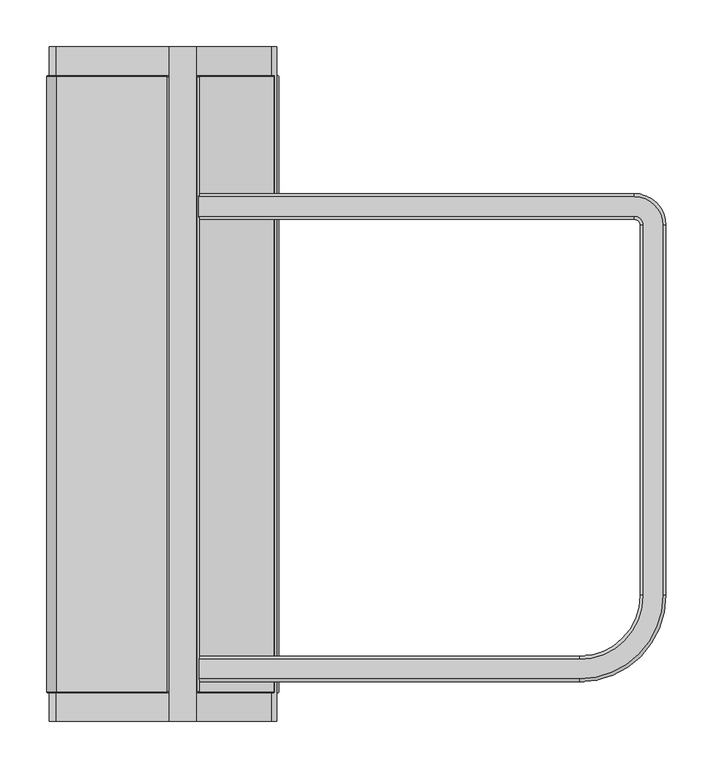
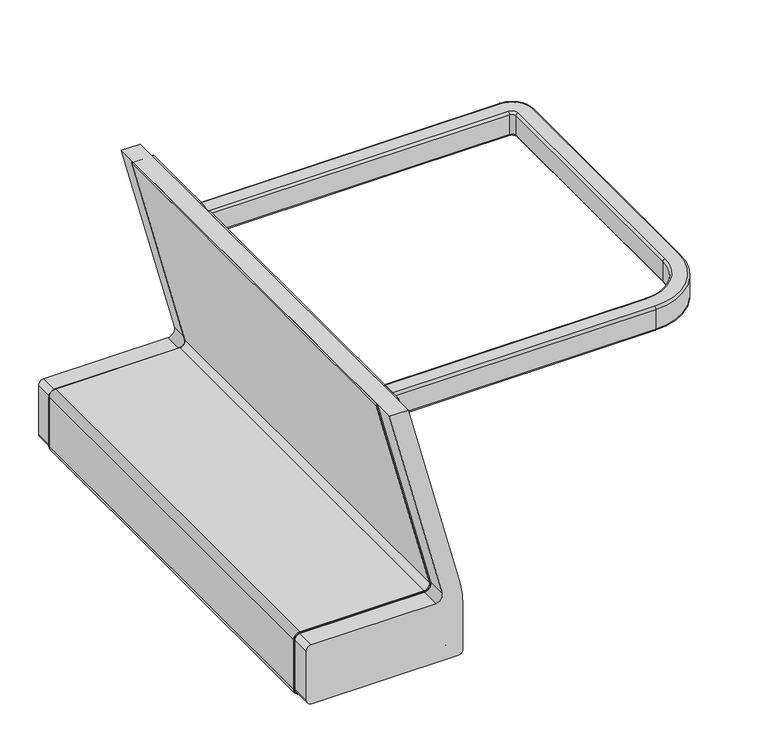
"""IFC4 building model written with IfcOpenShell, lengths in millimetres: furniture geometry."""

from ifc_helpers import new_model, si_unit, point, frame, frame_2d, origin, place, context, project, spatial, polyline, circle_curve, ellipse_curve, trimmed, segment, composite_curve, outline, extrude, source, transform, mapped, element, save
from ifc_brep_helpers import plane_surface, cylinder_surface, revolved_surface, advanced_brep


def furniture_746f1d6a(model_context):
    return source(origin(), model_context, "Body", "SolidModel", [
        advanced_brep(
        [(162.3124361, -661.8180685, 672.1919643), (162.3124361, -682.4252156, 672.1919643), (162.3124361, -685.8034156, 675.5701643), (162.3124361, -685.8034156, 707.7077566), (162.3124361, -682.4252156, 711.0859566), (162.3124361, -661.8180685, 711.0859566), (162.3124361, -658.4398685, 707.7077566), (162.3124361, -658.4398685, 675.5701643), (567.8477595, -661.8180685, 672.1919643), (636.164547, -593.501281, 672.1919643), (636.164547, -198.8829508, 672.1919643), (626.3678941, -189.0862979, 672.1919643), (161.6749244, -189.0862979, 672.1919643), (161.6749244, -168.4791508, 672.1919643), (626.3678941, -168.4791508, 672.1919643), (656.7716941, -198.8829508, 672.1919643), (656.7716941, -593.501281, 672.1919643), (567.8477595, -682.4252156, 672.1919643), (567.8477595, -685.8034156, 675.5701643), (567.8477595, -685.8034156, 707.7077566), (567.8477595, -682.4252156, 711.0859566), (656.7716941, -593.501281, 711.0859566), (656.7716941, -198.8829508, 711.0859566), (626.3678941, -168.4791508, 711.0859566), (161.6749244, -168.4791508, 711.0859566), (161.6749244, -189.0862979, 711.0859566), (626.3678941, -189.0862979, 711.0859566), (636.164547, -198.8829508, 711.0859566), (636.164547, -593.501281, 711.0859566), (567.8477595, -661.8180685, 711.0859566), (567.8477595, -658.4398685, 707.7077566), (567.8477595, -658.4398685, 675.5701643), (660.1498941, -593.501281, 675.5701643), (660.1498941, -593.501281, 707.7077566), (632.786347, -593.501281, 707.7077566), (632.786347, -593.501281, 675.5701643), (660.1498941, -198.8829508, 675.5701643), (660.1498941, -198.8829508, 707.7077566), (632.786347, -198.8829508, 707.7077566), (632.786347, -198.8829508, 675.5701643), (626.3678941, -165.1009508, 675.5701643), (626.3678941, -165.1009508, 707.7077566), (626.3678941, -192.4644979, 707.7077566), (626.3678941, -192.4644979, 675.5701643), (161.6749244, -192.4644979, 675.5701643), (161.6749244, -192.4644979, 707.7077566), (161.6749244, -165.1009508, 707.7077566), (161.6749244, -165.1009508, 675.5701643)],
        [
            (0, 1),
            (1, 2, circle_curve(frame((162.3124361, -682.4252156, 675.5701643), z_axis=(-1.0, 0.0, 0.0), x_axis=(0.0, -1.0, 0.0)), 3.3782)),
            (2, 3),
            (3, 4, circle_curve(frame((162.3124361, -682.4252156, 707.7077566), z_axis=(-1.0, 0.0, 0.0), x_axis=(0.0, -1.0, 0.0)), 3.3782)),
            (4, 5),
            (5, 6, circle_curve(frame((162.3124361, -661.8180685, 707.7077566), z_axis=(-1.0, 0.0, 0.0), x_axis=(0.0, -1.0, 0.0)), 3.3782)),
            (6, 7),
            (7, 0, circle_curve(frame((162.3124361, -661.8180685, 675.5701643), z_axis=(-1.0, 0.0, 0.0), x_axis=(0.0, -1.0, 0.0)), 3.3782)),
            (0, 8),
            (8, 9, circle_curve(frame((567.8477595, -593.501281, 672.1919643), z_axis=(0.0, 0.0, 1.0), x_axis=(0.0, -1.0, 0.0)), 68.3167875)),
            (9, 10),
            (10, 11, circle_curve(frame((626.3678941, -198.8829508, 672.1919643), z_axis=(0.0, 0.0, 1.0), x_axis=(1.0, 0.0, 0.0)), 9.7966529)),
            (11, 12),
            (12, 13),
            (13, 14),
            (14, 15, circle_curve(frame((626.3678941, -198.8829508, 672.1919643), z_axis=(0.0, 0.0, -1.0), x_axis=(1.0, 0.0, 0.0)), 30.4038)),
            (15, 16),
            (16, 17, circle_curve(frame((567.8477595, -593.501281, 672.1919643), z_axis=(0.0, 0.0, -1.0), x_axis=(0.0, -1.0, 0.0)), 88.9239346)),
            (17, 1),
            (17, 18, circle_curve(frame((567.8477595, -682.4252156, 675.5701643), z_axis=(-1.0, 0.0, 0.0), x_axis=(0.0, -1.0, 0.0)), 3.3782)),
            (18, 2),
            (18, 19),
            (19, 3),
            (19, 20, circle_curve(frame((567.8477595, -682.4252156, 707.7077566), z_axis=(-1.0, 0.0, 0.0), x_axis=(0.0, -1.0, 0.0)), 3.3782)),
            (20, 4),
            (20, 21, circle_curve(frame((567.8477595, -593.501281, 711.0859566), z_axis=(0.0, 0.0, 1.0), x_axis=(0.0, -1.0, 0.0)), 88.9239346)),
            (21, 22),
            (22, 23, circle_curve(frame((626.3678941, -198.8829508, 711.0859566), z_axis=(0.0, 0.0, 1.0), x_axis=(1.0, 0.0, 0.0)), 30.4038)),
            (23, 24),
            (24, 25),
            (25, 26),
            (26, 27, circle_curve(frame((626.3678941, -198.8829508, 711.0859566), z_axis=(0.0, 0.0, -1.0), x_axis=(1.0, 0.0, 0.0)), 9.7966529)),
            (27, 28),
            (28, 29, circle_curve(frame((567.8477595, -593.501281, 711.0859566), z_axis=(0.0, 0.0, -1.0), x_axis=(0.0, -1.0, 0.0)), 68.3167875)),
            (29, 5),
            (29, 30, circle_curve(frame((567.8477595, -661.8180685, 707.7077566), z_axis=(-1.0, 0.0, 0.0), x_axis=(0.0, -1.0, 0.0)), 3.3782)),
            (30, 6),
            (30, 31),
            (31, 7),
            (31, 8, circle_curve(frame((567.8477595, -661.8180685, 675.5701643), z_axis=(-1.0, 0.0, 0.0), x_axis=(0.0, -1.0, 0.0)), 3.3782)),
            (32, 18, circle_curve(frame((567.8477595, -593.501281, 675.5701643), z_axis=(0.0, 0.0, -1.0), x_axis=(0.0, -1.0, 0.0)), 92.3021346)),
            (16, 32, circle_curve(frame((656.7716941, -593.501281, 675.5701643), z_axis=(0.0, -1.0, 0.0), x_axis=(1.0, 0.0, 0.0)), 3.3782)),
            (33, 19, circle_curve(frame((567.8477595, -593.501281, 707.7077566), z_axis=(0.0, 0.0, -1.0), x_axis=(0.0, -1.0, 0.0)), 92.3021346)),
            (32, 33),
            (33, 21, circle_curve(frame((656.7716941, -593.501281, 707.7077566), z_axis=(0.0, -1.0, 0.0), x_axis=(1.0, 0.0, 0.0)), 3.3782)),
            (34, 30, circle_curve(frame((567.8477595, -593.501281, 707.7077566), z_axis=(0.0, 0.0, -1.0), x_axis=(0.0, -1.0, 0.0)), 64.9385875)),
            (28, 34, circle_curve(frame((636.164547, -593.501281, 707.7077566), z_axis=(0.0, -1.0, 0.0), x_axis=(1.0, 0.0, 0.0)), 3.3782)),
            (35, 31, circle_curve(frame((567.8477595, -593.501281, 675.5701643), z_axis=(0.0, 0.0, -1.0), x_axis=(0.0, -1.0, 0.0)), 64.9385875)),
            (34, 35),
            (35, 9, circle_curve(frame((636.164547, -593.501281, 675.5701643), z_axis=(0.0, -1.0, 0.0), x_axis=(1.0, 0.0, 0.0)), 3.3782)),
            (15, 36, circle_curve(frame((656.7716941, -198.8829508, 675.5701643), z_axis=(0.0, -1.0, 0.0), x_axis=(1.0, 0.0, 0.0)), 3.3782)),
            (36, 32),
            (36, 37),
            (37, 33),
            (37, 22, circle_curve(frame((656.7716941, -198.8829508, 707.7077566), z_axis=(0.0, -1.0, 0.0), x_axis=(1.0, 0.0, 0.0)), 3.3782)),
            (27, 38, circle_curve(frame((636.164547, -198.8829508, 707.7077566), z_axis=(0.0, -1.0, 0.0), x_axis=(1.0, 0.0, 0.0)), 3.3782)),
            (38, 34),
            (38, 39),
            (39, 35),
            (39, 10, circle_curve(frame((636.164547, -198.8829508, 675.5701643), z_axis=(0.0, -1.0, 0.0), x_axis=(1.0, 0.0, 0.0)), 3.3782)),
            (40, 36, circle_curve(frame((626.3678941, -198.8829508, 675.5701643), z_axis=(0.0, 0.0, -1.0), x_axis=(1.0, 0.0, 0.0)), 33.782)),
            (14, 40, circle_curve(frame((626.3678941, -168.4791508, 675.5701643), z_axis=(1.0, 0.0, 0.0), x_axis=(0.0, 1.0, 0.0)), 3.3782)),
            (41, 37, circle_curve(frame((626.3678941, -198.8829508, 707.7077566), z_axis=(0.0, 0.0, -1.0), x_axis=(1.0, 0.0, 0.0)), 33.782)),
            (40, 41),
            (41, 23, circle_curve(frame((626.3678941, -168.4791508, 707.7077566), z_axis=(1.0, 0.0, 0.0), x_axis=(0.0, 1.0, 0.0)), 3.3782)),
            (42, 38, circle_curve(frame((626.3678941, -198.8829508, 707.7077566), z_axis=(0.0, 0.0, -1.0), x_axis=(1.0, 0.0, 0.0)), 6.4184529)),
            (26, 42, circle_curve(frame((626.3678941, -189.0862979, 707.7077566), z_axis=(1.0, 0.0, 0.0), x_axis=(0.0, 1.0, 0.0)), 3.3782)),
            (43, 39, circle_curve(frame((626.3678941, -198.8829508, 675.5701643), z_axis=(0.0, 0.0, -1.0), x_axis=(1.0, 0.0, 0.0)), 6.4184529)),
            (42, 43),
            (43, 11, circle_curve(frame((626.3678941, -189.0862979, 675.5701643), z_axis=(1.0, 0.0, 0.0), x_axis=(0.0, 1.0, 0.0)), 3.3782)),
            (12, 44, circle_curve(frame((161.6749244, -189.0862979, 675.5701643), z_axis=(-1.0, 0.0, 0.0), x_axis=(0.0, 1.0, 0.0)), 3.3782)),
            (44, 45),
            (45, 25, circle_curve(frame((161.6749244, -189.0862979, 707.7077566), z_axis=(-1.0, 0.0, 0.0), x_axis=(0.0, 1.0, 0.0)), 3.3782)),
            (24, 46, circle_curve(frame((161.6749244, -168.4791508, 707.7077566), z_axis=(-1.0, 0.0, 0.0), x_axis=(0.0, 1.0, 0.0)), 3.3782)),
            (46, 47),
            (47, 13, circle_curve(frame((161.6749244, -168.4791508, 675.5701643), z_axis=(-1.0, 0.0, 0.0), x_axis=(0.0, 1.0, 0.0)), 3.3782)),
            (47, 40),
            (46, 41),
            (45, 42),
            (44, 43),
        ],
        [
            plane_surface(frame((162.3124361, -685.8034156, 0.0), z_axis=(-1.0, 0.0, 0.0), x_axis=(0.0, 0.0, 1.0))),
            plane_surface(frame((162.3124361, -661.8180685, 672.1919643), z_axis=(0.0, 0.0, -1.0), x_axis=(1.0, 0.0, 0.0))),
            cylinder_surface(frame((162.3124361, -682.4252156, 675.5701643), z_axis=(-1.0, 0.0, 0.0), x_axis=(0.0, -1.0, 0.0)), 3.3782),
            plane_surface(frame((162.3124361, -685.8034156, 675.5701643), z_axis=(0.0, -1.0, 0.0), x_axis=(1.0, 0.0, 0.0))),
            cylinder_surface(frame((162.3124361, -682.4252156, 707.7077566), z_axis=(-1.0, 0.0, 0.0), x_axis=(0.0, -1.0, 0.0)), 3.3782),
            plane_surface(frame((162.3124361, -682.4252156, 711.0859566), z_axis=(0.0, 0.0, 1.0), x_axis=(1.0, 0.0, 0.0))),
            cylinder_surface(frame((162.3124361, -661.8180685, 707.7077566), z_axis=(-1.0, 0.0, 0.0), x_axis=(0.0, -1.0, 0.0)), 3.3782),
            plane_surface(frame((162.3124361, -658.4398685, 707.7077566), z_axis=(0.0, 1.0, 0.0), x_axis=(1.0, 0.0, 0.0))),
            cylinder_surface(frame((162.3124361, -661.8180685, 675.5701643), z_axis=(-1.0, 0.0, 0.0), x_axis=(0.0, -1.0, 0.0)), 3.3782),
            revolved_surface(trimmed(ellipse_curve(frame((567.8477595, -682.4252156, 675.5701643), z_axis=(-1.0, 0.0, 0.0), x_axis=(0.0, -1.0, 0.0)), 3.3782, 3.3782), [point((567.8477595, -682.4252156, 672.1919643))], [point((567.8477595, -685.8034156, 675.5701643))], True, "CARTESIAN"), (567.8477595, -593.501281, 0.0), (0.0, 0.0, 1.0)),
            cylinder_surface(frame((567.8477595, -593.501281, 0.0), z_axis=(0.0, 0.0, 1.0), x_axis=(0.0, -1.0, 0.0)), 92.3021346),
            revolved_surface(trimmed(ellipse_curve(frame((567.8477595, -682.4252156, 707.7077566), z_axis=(-1.0, 0.0, 0.0), x_axis=(0.0, -1.0, 0.0)), 3.3782, 3.3782), [point((567.8477595, -685.8034156, 707.7077566))], [point((567.8477595, -682.4252156, 711.0859566))], True, "CARTESIAN"), (567.8477595, -593.501281, 0.0), (0.0, 0.0, 1.0)),
            revolved_surface(trimmed(ellipse_curve(frame((567.8477595, -661.8180685, 707.7077566), z_axis=(-1.0, 0.0, 0.0), x_axis=(0.0, -1.0, 0.0)), 3.3782, 3.3782), [point((567.8477595, -661.8180685, 711.0859566))], [point((567.8477595, -658.4398685, 707.7077566))], True, "CARTESIAN"), (567.8477595, -593.501281, 0.0), (0.0, 0.0, 1.0)),
            revolved_surface(polyline([(567.8477595, -658.4398685, 707.7077566), (567.8477595, -658.4398685, 675.5701643)]), (567.8477595, -593.501281, 0.0), (0.0, 0.0, 1.0)),
            revolved_surface(trimmed(ellipse_curve(frame((567.8477595, -661.8180685, 675.5701643), z_axis=(-1.0, 0.0, 0.0), x_axis=(0.0, -1.0, 0.0)), 3.3782, 3.3782), [point((567.8477595, -658.4398685, 675.5701643))], [point((567.8477595, -661.8180685, 672.1919643))], True, "CARTESIAN"), (567.8477595, -593.501281, 0.0), (0.0, 0.0, 1.0)),
            cylinder_surface(frame((656.7716941, -593.501281, 675.5701643), z_axis=(0.0, -1.0, 0.0), x_axis=(1.0, 0.0, 0.0)), 3.3782),
            plane_surface(frame((660.1498941, -593.501281, 675.5701643), z_axis=(1.0, 0.0, 0.0), x_axis=(0.0, 1.0, 0.0))),
            cylinder_surface(frame((656.7716941, -593.501281, 707.7077566), z_axis=(0.0, -1.0, 0.0), x_axis=(1.0, 0.0, 0.0)), 3.3782),
            cylinder_surface(frame((636.164547, -593.501281, 707.7077566), z_axis=(0.0, -1.0, 0.0), x_axis=(1.0, 0.0, 0.0)), 3.3782),
            plane_surface(frame((632.786347, -593.501281, 707.7077566), z_axis=(-1.0, 0.0, 0.0), x_axis=(0.0, 1.0, 0.0))),
            cylinder_surface(frame((636.164547, -593.501281, 675.5701643), z_axis=(0.0, -1.0, 0.0), x_axis=(1.0, 0.0, 0.0)), 3.3782),
            revolved_surface(trimmed(ellipse_curve(frame((656.7716941, -198.8829508, 675.5701643), z_axis=(0.0, -1.0, 0.0), x_axis=(1.0, 0.0, 0.0)), 3.3782, 3.3782), [point((656.7716941, -198.8829508, 672.1919643))], [point((660.1498941, -198.8829508, 675.5701643))], True, "CARTESIAN"), (626.3678941, -198.8829508, 0.0), (0.0, 0.0, 1.0)),
            cylinder_surface(frame((626.3678941, -198.8829508, 0.0), z_axis=(0.0, 0.0, 1.0), x_axis=(1.0, 0.0, 0.0)), 33.782),
            revolved_surface(trimmed(ellipse_curve(frame((656.7716941, -198.8829508, 707.7077566), z_axis=(0.0, -1.0, 0.0), x_axis=(1.0, 0.0, 0.0)), 3.3782, 3.3782), [point((660.1498941, -198.8829508, 707.7077566))], [point((656.7716941, -198.8829508, 711.0859566))], True, "CARTESIAN"), (626.3678941, -198.8829508, 0.0), (0.0, 0.0, 1.0)),
            revolved_surface(trimmed(ellipse_curve(frame((636.164547, -198.8829508, 707.7077566), z_axis=(0.0, -1.0, 0.0), x_axis=(1.0, 0.0, 0.0)), 3.3782, 3.3782), [point((636.164547, -198.8829508, 711.0859566))], [point((632.786347, -198.8829508, 707.7077566))], True, "CARTESIAN"), (626.3678941, -198.8829508, 0.0), (0.0, 0.0, 1.0)),
            revolved_surface(polyline([(632.786347, -198.8829508, 707.7077566), (632.786347, -198.8829508, 675.5701643)]), (626.3678941, -198.8829508, 0.0), (0.0, 0.0, 1.0)),
            revolved_surface(trimmed(ellipse_curve(frame((636.164547, -198.8829508, 675.5701643), z_axis=(0.0, -1.0, 0.0), x_axis=(1.0, 0.0, 0.0)), 3.3782, 3.3782), [point((632.786347, -198.8829508, 675.5701643))], [point((636.164547, -198.8829508, 672.1919643))], True, "CARTESIAN"), (626.3678941, -198.8829508, 0.0), (0.0, 0.0, 1.0)),
            plane_surface(frame((161.6749244, -165.1009508, 0.0), z_axis=(-1.0, 0.0, 0.0), x_axis=(0.0, 0.0, 1.0))),
            cylinder_surface(frame((626.3678941, -168.4791508, 675.5701643), z_axis=(1.0, 0.0, 0.0), x_axis=(0.0, 1.0, 0.0)), 3.3782),
            plane_surface(frame((626.3678941, -165.1009508, 675.5701643), z_axis=(0.0, 1.0, 0.0), x_axis=(-1.0, 0.0, 0.0))),
            cylinder_surface(frame((626.3678941, -168.4791508, 707.7077566), z_axis=(1.0, 0.0, 0.0), x_axis=(0.0, 1.0, 0.0)), 3.3782),
            cylinder_surface(frame((626.3678941, -189.0862979, 707.7077566), z_axis=(1.0, 0.0, 0.0), x_axis=(0.0, 1.0, 0.0)), 3.3782),
            plane_surface(frame((626.3678941, -192.4644979, 707.7077566), z_axis=(0.0, -1.0, 0.0), x_axis=(-1.0, 0.0, 0.0))),
            cylinder_surface(frame((626.3678941, -189.0862979, 675.5701643), z_axis=(1.0, 0.0, 0.0), x_axis=(0.0, 1.0, 0.0)), 3.3782),
        ],
        [
            (0, [[1, 2, 3, 4, 5, 6, 7, 8]]),
            (1, [[-1, 9, 10, 11, 12, 13, 14, 15, 16, 17, 18, 19]]),
            (2, [[-2, -19, 20, 21]]),
            (3, [[-3, -21, 22, 23]]),
            (4, [[-4, -23, 24, 25]]),
            (5, [[-5, -25, 26, 27, 28, 29, 30, 31, 32, 33, 34, 35]]),
            (6, [[-6, -35, 36, 37]]),
            (7, [[-7, -37, 38, 39]]),
            (8, [[-8, -39, 40, -9]]),
            (9, [[41, -20, -18, 42]]),
            (10, [[43, -22, -41, 44]]),
            (11, [[-26, -24, -43, 45]]),
            (12, [[46, -36, -34, 47]]),
            (13, [[48, -38, -46, 49]]),
            (14, [[-10, -40, -48, 50]]),
            (15, [[-42, -17, 51, 52]]),
            (16, [[-44, -52, 53, 54]]),
            (17, [[-45, -54, 55, -27]]),
            (18, [[-47, -33, 56, 57]]),
            (19, [[-49, -57, 58, 59]]),
            (20, [[-50, -59, 60, -11]]),
            (21, [[61, -51, -16, 62]]),
            (22, [[63, -53, -61, 64]]),
            (23, [[-28, -55, -63, 65]]),
            (24, [[66, -56, -32, 67]]),
            (25, [[68, -58, -66, 69]]),
            (26, [[-12, -60, -68, 70]]),
            (27, [[71, 72, 73, -30, 74, 75, 76, -14]]),
            (28, [[-62, -15, -76, 77]]),
            (29, [[-64, -77, -75, 78]]),
            (30, [[-65, -78, -74, -29]]),
            (31, [[-67, -31, -73, 79]]),
            (32, [[-69, -79, -72, 80]]),
            (33, [[-70, -80, -71, -13]]),
        ],
    ),
        extrude(outline(composite_curve([segment(polyline([(379.1040886, 202.6657788), (379.1040886, 10.0860828)]), True, "CONTINUOUS"), segment(trimmed(circle_curve(frame_2d((371.3713747, 10.0860828)), 7.7327139), [point((379.1040886, 10.0860828))], [point((371.3713747, 2.3533689))], False, "CARTESIAN"), True, "CONTINUOUS"), segment(polyline([(371.3713747, 2.3533689), (290.5217681, 2.3533689)]), True, "CONTINUOUS"), segment(trimmed(circle_curve(frame_2d((290.5217681, 10.6643227)), 8.3109538), [point((290.5217681, 2.3533689))], [point((282.2108144, 10.6643227))], False, "CARTESIAN"), True, "CONTINUOUS"), segment(polyline([(282.2108144, 10.6643227), (282.2108144, 237.4355134)]), True, "CONTINUOUS"), segment(trimmed(circle_curve(frame_2d((289.6814905, 237.4355134)), 7.4706762), [point((282.2108144, 237.4355134))], [point((289.6814905, 244.9061895))], False, "CARTESIAN"), True, "CONTINUOUS"), segment(polyline([(289.6814905, 244.9061895), (360.6059113, 244.9061895)]), True, "CONTINUOUS"), segment(trimmed(circle_curve(frame_2d((360.6059113, 82.1595585)), 162.7466311), [point((360.6059113, 244.9061895))], [point((401.2295525, 239.7545637))], False, "CARTESIAN"), True, "CONTINUOUS"), segment(polyline([(401.2295525, 239.7545637), (711.1999758, 159.8527468), (711.1999758, 130.6057283), (392.2204284, 212.8298487)]), True, "CONTINUOUS"), segment(trimmed(circle_curve(frame_2d((389.6004119, 202.6657788)), 10.4963233), [point((392.2204284, 212.8298487))], [point((379.1040886, 202.6657788))], True, "CARTESIAN"), True, "CONTINUOUS")], self_intersect=False)), frame((0.0, -727.494313, 0.0), z_axis=(0.0, 1.0, 0.0), x_axis=(0.0, 0.0, 1.0)), (0.0, 0.0, 1.0), 718.8698003),
        advanced_brep(
        [(247.2595585, -40.4461718, 294.1584798), (246.0571213, -39.2437347, 294.1584798), (244.9061895, -39.2437347, 294.1584798), (244.9061895, -697.3552722, 294.1584798), (246.046603, -697.3552722, 294.1584798), (247.2595585, -696.1423167, 294.1584798), (162.2726299, -40.4461718, 711.2403803), (162.2726299, -696.1423167, 711.2403803), (242.0334385, -696.1423167, 401.8169835), (242.0334385, -40.4461718, 401.8169835), (161.3326906, -697.3552722, 710.0274248), (240.8588783, -697.3552722, 401.5142143), (160.4489652, -697.3552722, 708.8870113), (160.4489652, -39.2437347, 708.8870113), (239.7545637, -39.2437347, 401.2295525), (239.7545637, -697.3552722, 401.2295525), (161.3408414, -39.2437347, 710.0379432), (240.8690637, -39.2437347, 401.5168398), (247.2595585, -696.1423167, 289.6814905), (247.2595585, -40.4461718, 289.6814905), (246.046603, -697.3552722, 289.6814905), (244.9061895, -697.3552722, 289.6814905), (237.4355134, -697.3552722, 282.2108144), (10.6643227, -697.3552722, 282.2108144), (2.3533689, -697.3552722, 290.5217681), (2.3533689, -697.3552722, 371.3713747), (10.0860828, -697.3552722, 379.1040886), (202.6657788, -697.3552722, 379.1040886), (212.8298487, -697.3552722, 392.2204284), (131.2019467, -697.3552722, 708.8870113), (217.5042924, -697.3552722, 379.0250139), (217.2173591, -697.3552722, 377.9212874), (129.7302871, -697.3552722, 710.0274248), (211.7255341, -697.3552722, 391.9357666), (202.6657788, -697.3552722, 380.2445021), (10.0860828, -697.3552722, 380.2445021), (1.2129555, -697.3552722, 371.3713747), (1.2129555, -697.3552722, 290.5217681), (10.6643227, -697.3552722, 281.0704009), (237.4355134, -697.3552722, 281.0704009), (244.9061895, -39.2437347, 289.6814905), (246.0571213, -39.2437347, 289.6814905), (237.4355134, -39.2437347, 281.0598825), (10.6643227, -39.2437347, 281.0598825), (1.2024371, -39.2437347, 290.5217681), (1.2024371, -39.2437347, 371.3713747), (10.0860828, -39.2437347, 380.2550204), (202.6657788, -39.2437347, 380.2550204), (211.7153487, -39.2437347, 391.9331411), (129.7167136, -39.2437347, 710.0379432), (217.2147126, -39.2437347, 377.9111074), (217.5042924, -39.2437347, 379.0250139), (131.2019467, -39.2437347, 708.8870113), (212.8298487, -39.2437347, 392.2204284), (202.6657788, -39.2437347, 379.1040886), (10.0860828, -39.2437347, 379.1040886), (2.3533689, -39.2437347, 371.3713747), (2.3533689, -39.2437347, 290.5217681), (10.6643227, -39.2437347, 282.2108144), (237.4355134, -39.2437347, 282.2108144), (237.4355134, -40.4461718, 279.8574454), (237.4355134, -696.1423167, 279.8574454), (10.6643227, -696.1423167, 279.8574454), (10.6643227, -40.4461718, 279.8574454), (0.0, -40.4461718, 290.5217681), (0.0, -696.1423167, 290.5217681), (0.0, -696.1423167, 371.3713747), (0.0, -40.4461718, 371.3713747), (10.0860828, -40.4461718, 381.4574575), (10.0860828, -696.1423167, 381.4574575), (202.6657788, -696.1423167, 381.4574575), (202.6657788, -40.4461718, 381.4574575), (210.5509739, -40.4461718, 391.6329974), (210.5509739, -696.1423167, 391.6329974), (128.1650149, -696.1423167, 711.2403803), (128.1650149, -40.4461718, 711.2403803), (216.9121739, -40.4461718, 376.7473526), (216.9121739, -696.1423167, 376.7473526)],
        [
            (0, 1, circle_curve(frame((246.0571213, -40.4461718, 294.1584798), z_axis=(0.0, 0.0, 1.0), x_axis=(0.0, 1.0, 0.0)), 1.2024371)),
            (1, 2),
            (2, 3),
            (3, 4),
            (4, 5, circle_curve(frame((246.046603, -696.1423167, 294.1584798), z_axis=(0.0, 0.0, 1.0), x_axis=(0.0, 1.0, 0.0)), 1.2129555)),
            (5, 0),
            (6, 7),
            (7, 8),
            (8, 9),
            (9, 6),
            (7, 10, ellipse_curve(frame((161.3326906, -696.1423167, 710.0274248), z_axis=(0.7904469600847142, 0.0, -0.6125304917249706), x_axis=(0.6125304917249708, 0.0, 0.7904469600847139)), 1.5345185, 1.2129555)),
            (10, 11),
            (11, 8, circle_curve(frame((240.8588783, -696.1423167, 401.5142143), z_axis=(-0.24961279341432757, 0.0, 0.9683457302863974), x_axis=(0.0, 1.0, 0.0)), 1.2129555)),
            (12, 13),
            (13, 14),
            (14, 15),
            (15, 12),
            (16, 6, ellipse_curve(frame((161.3408414, -40.4461718, 710.0379432), z_axis=(0.7904469600847142, 0.0, -0.6125304917249706), x_axis=(0.6125304917249708, 0.0, 0.7904469600847139)), 1.5212116, 1.2024371)),
            (9, 17, circle_curve(frame((240.8690637, -40.4461718, 401.5168398), z_axis=(-0.24961279341432757, 0.0, 0.9683457302863974), x_axis=(0.0, 1.0, 0.0)), 1.2024371)),
            (17, 16),
            (5, 18),
            (18, 19),
            (19, 0),
            (4, 20),
            (20, 18, circle_curve(frame((246.046603, -696.1423167, 289.6814905), z_axis=(0.0, 0.0, 1.0), x_axis=(0.0, 1.0, 0.0)), 1.2129555)),
            (3, 21),
            (21, 22, circle_curve(frame((237.4355134, -697.3552722, 289.6814905), z_axis=(0.0, 1.0, 0.0), x_axis=(1.0, 0.0, 0.0)), 7.4706762)),
            (22, 23),
            (23, 24, circle_curve(frame((10.6643227, -697.3552722, 290.5217681), z_axis=(0.0, 1.0, 0.0), x_axis=(0.0, 0.0, -1.0)), 8.3109538)),
            (24, 25),
            (25, 26, circle_curve(frame((10.0860828, -697.3552722, 371.3713747), z_axis=(0.0, 1.0, 0.0), x_axis=(-1.0, 0.0, 0.0)), 7.7327139)),
            (26, 27),
            (27, 28, circle_curve(frame((202.6657788, -697.3552722, 389.6004119), z_axis=(0.0, -1.0, 0.0), x_axis=(0.0, 0.0, -1.0)), 10.4963233)),
            (28, 29),
            (29, 12),
            (15, 30, circle_curve(frame((222.0932261, -697.3552722, 396.6769472), z_axis=(0.0, 1.0, 0.0), x_axis=(0.968345730286397, 0.0, 0.24961279341432874)), 18.2386694)),
            (30, 31),
            (31, 11, circle_curve(frame((222.0932261, -697.3552722, 396.6769472), z_axis=(0.0, -1.0, 0.0), x_axis=(0.968345730286397, 0.0, 0.24961279341432874)), 19.3790829)),
            (10, 32),
            (32, 33),
            (33, 34, circle_curve(frame((202.6657788, -697.3552722, 389.6004119), z_axis=(0.0, 1.0, 0.0), x_axis=(0.0, 0.0, -1.0)), 9.3559098)),
            (34, 35),
            (35, 36, circle_curve(frame((10.0860828, -697.3552722, 371.3713747), z_axis=(0.0, -1.0, 0.0), x_axis=(-1.0, 0.0, 0.0)), 8.8731274)),
            (36, 37),
            (37, 38, circle_curve(frame((10.6643227, -697.3552722, 290.5217681), z_axis=(0.0, -1.0, 0.0), x_axis=(0.0, 0.0, -1.0)), 9.4513672)),
            (38, 39),
            (39, 20, circle_curve(frame((237.4355134, -697.3552722, 289.6814905), z_axis=(0.0, -1.0, 0.0), x_axis=(1.0, 0.0, 0.0)), 8.6110896)),
            (2, 40),
            (40, 21),
            (1, 41),
            (41, 42, circle_curve(frame((237.4355134, -39.2437347, 289.6814905), z_axis=(0.0, 1.0, 0.0), x_axis=(1.0, 0.0, 0.0)), 8.621608)),
            (42, 43),
            (43, 44, circle_curve(frame((10.6643227, -39.2437347, 290.5217681), z_axis=(0.0, 1.0, 0.0), x_axis=(0.0, 0.0, -1.0)), 9.4618856)),
            (44, 45),
            (45, 46, circle_curve(frame((10.0860828, -39.2437347, 371.3713747), z_axis=(0.0, 1.0, 0.0), x_axis=(-1.0, 0.0, 0.0)), 8.8836457)),
            (46, 47),
            (47, 48, circle_curve(frame((202.6657788, -39.2437347, 389.6004119), z_axis=(0.0, -1.0, 0.0), x_axis=(0.0, 0.0, -1.0)), 9.3453914)),
            (48, 49),
            (49, 16),
            (17, 50, circle_curve(frame((222.0932261, -39.2437347, 396.6769472), z_axis=(0.0, 1.0, 0.0), x_axis=(0.968345730286397, 0.0, 0.24961279341432874)), 19.3896013)),
            (50, 51),
            (51, 14, circle_curve(frame((222.0932261, -39.2437347, 396.6769472), z_axis=(0.0, -1.0, 0.0), x_axis=(0.968345730286397, 0.0, 0.24961279341432874)), 18.2386694)),
            (13, 52),
            (52, 53),
            (53, 54, circle_curve(frame((202.6657788, -39.2437347, 389.6004119), z_axis=(0.0, 1.0, 0.0), x_axis=(0.0, 0.0, -1.0)), 10.4963233)),
            (54, 55),
            (55, 56, circle_curve(frame((10.0860828, -39.2437347, 371.3713747), z_axis=(0.0, -1.0, 0.0), x_axis=(-1.0, 0.0, 0.0)), 7.7327139)),
            (56, 57),
            (57, 58, circle_curve(frame((10.6643227, -39.2437347, 290.5217681), z_axis=(0.0, -1.0, 0.0), x_axis=(0.0, 0.0, -1.0)), 8.3109538)),
            (58, 59),
            (59, 40, circle_curve(frame((237.4355134, -39.2437347, 289.6814905), z_axis=(0.0, -1.0, 0.0), x_axis=(1.0, 0.0, 0.0)), 7.4706762)),
            (19, 41, circle_curve(frame((246.0571213, -40.4461718, 289.6814905), z_axis=(0.0, 0.0, 1.0), x_axis=(0.0, 1.0, 0.0)), 1.2024371)),
            (60, 19, circle_curve(frame((237.4355134, -40.4461718, 289.6814905), z_axis=(0.0, -1.0, 0.0), x_axis=(1.0, 0.0, 0.0)), 9.8240451)),
            (18, 61, circle_curve(frame((237.4355134, -696.1423167, 289.6814905), z_axis=(0.0, 1.0, 0.0), x_axis=(1.0, 0.0, 0.0)), 9.8240451)),
            (61, 60),
            (39, 61, circle_curve(frame((237.4355134, -696.1423167, 281.0704009), z_axis=(1.0, 0.0, 0.0), x_axis=(0.0, 1.0, 0.0)), 1.2129555)),
            (59, 22),
            (60, 42, circle_curve(frame((237.4355134, -40.4461718, 281.0598825), z_axis=(1.0, 0.0, 0.0), x_axis=(0.0, 1.0, 0.0)), 1.2024371)),
            (61, 62),
            (62, 63),
            (63, 60),
            (38, 62, circle_curve(frame((10.6643227, -696.1423167, 281.0704009), z_axis=(1.0, 0.0, 0.0), x_axis=(0.0, 1.0, 0.0)), 1.2129555)),
            (58, 23),
            (63, 43, circle_curve(frame((10.6643227, -40.4461718, 281.0598825), z_axis=(1.0, 0.0, 0.0), x_axis=(0.0, 1.0, 0.0)), 1.2024371)),
            (64, 63, circle_curve(frame((10.6643227, -40.4461718, 290.5217681), z_axis=(0.0, -1.0, 0.0), x_axis=(0.0, 0.0, -1.0)), 10.6643227)),
            (62, 65, circle_curve(frame((10.6643227, -696.1423167, 290.5217681), z_axis=(0.0, 1.0, 0.0), x_axis=(0.0, 0.0, -1.0)), 10.6643227)),
            (65, 64),
            (37, 65, circle_curve(frame((1.2129555, -696.1423167, 290.5217681), z_axis=(0.0, 0.0, -1.0), x_axis=(0.0, 1.0, 0.0)), 1.2129555)),
            (57, 24),
            (64, 44, circle_curve(frame((1.2024371, -40.4461718, 290.5217681), z_axis=(0.0, 0.0, -1.0), x_axis=(0.0, 1.0, 0.0)), 1.2024371)),
            (65, 66),
            (66, 67),
            (67, 64),
            (36, 66, circle_curve(frame((1.2129555, -696.1423167, 371.3713747), z_axis=(0.0, 0.0, -1.0), x_axis=(0.0, 1.0, 0.0)), 1.2129555)),
            (56, 25),
            (67, 45, circle_curve(frame((1.2024371, -40.4461718, 371.3713747), z_axis=(0.0, 0.0, -1.0), x_axis=(0.0, 1.0, 0.0)), 1.2024371)),
            (68, 67, circle_curve(frame((10.0860828, -40.4461718, 371.3713747), z_axis=(0.0, -1.0, 0.0), x_axis=(-1.0, 0.0, 0.0)), 10.0860828)),
            (66, 69, circle_curve(frame((10.0860828, -696.1423167, 371.3713747), z_axis=(0.0, 1.0, 0.0), x_axis=(-1.0, 0.0, 0.0)), 10.0860828)),
            (69, 68),
            (35, 69, circle_curve(frame((10.0860828, -696.1423167, 380.2445021), z_axis=(-1.0, 0.0, 0.0), x_axis=(0.0, 1.0, 0.0)), 1.2129555)),
            (55, 26),
            (68, 46, circle_curve(frame((10.0860828, -40.4461718, 380.2550204), z_axis=(-1.0, 0.0, 0.0), x_axis=(0.0, 1.0, 0.0)), 1.2024371)),
            (69, 70),
            (70, 71),
            (71, 68),
            (34, 70, circle_curve(frame((202.6657788, -696.1423167, 380.2445021), z_axis=(-1.0, 0.0, 0.0), x_axis=(0.0, 1.0, 0.0)), 1.2129555)),
            (54, 27),
            (71, 47, circle_curve(frame((202.6657788, -40.4461718, 380.2550204), z_axis=(-1.0, 0.0, 0.0), x_axis=(0.0, 1.0, 0.0)), 1.2024371)),
            (72, 71, circle_curve(frame((202.6657788, -40.4461718, 389.6004119), z_axis=(0.0, 1.0, 0.0), x_axis=(0.0, 0.0, -1.0)), 8.1429543)),
            (70, 73, circle_curve(frame((202.6657788, -696.1423167, 389.6004119), z_axis=(0.0, -1.0, 0.0), x_axis=(0.0, 0.0, -1.0)), 8.1429543)),
            (73, 72),
            (33, 73, circle_curve(frame((211.7255341, -696.1423167, 391.9357666), z_axis=(0.2496127934143152, 0.0, -0.9683457302864005), x_axis=(0.0, 1.0, 0.0)), 1.2129555)),
            (53, 28),
            (72, 48, circle_curve(frame((211.7153487, -40.4461718, 391.9331411), z_axis=(0.24961279341432657, 0.0, -0.9683457302863976), x_axis=(0.0, 1.0, 0.0)), 1.2024371)),
            (73, 74),
            (74, 75),
            (75, 72),
            (32, 74, ellipse_curve(frame((129.7302871, -696.1423167, 710.0274248), z_axis=(-0.6125304917249705, 0.0, -0.7904469600847144), x_axis=(0.7904469600847143, 0.0, -0.6125304917249704)), 1.9802369, 1.2129555)),
            (52, 29),
            (75, 49, ellipse_curve(frame((129.7167136, -40.4461718, 710.0379432), z_axis=(-0.6125304917249705, 0.0, -0.7904469600847144), x_axis=(0.7904469600847143, 0.0, -0.6125304917249704)), 1.9630649, 1.2024371)),
            (75, 6),
            (7, 74),
            (76, 77),
            (77, 31, circle_curve(frame((217.2173591, -696.1423167, 377.9212874), z_axis=(-0.9678301041715497, 0.0, 0.2516046292485238), x_axis=(0.0, 1.0, 0.0)), 1.2129555)),
            (30, 51),
            (50, 76, circle_curve(frame((217.2147126, -40.4461718, 377.9111074), z_axis=(-0.9678301041715497, 0.0, 0.2516046292485238), x_axis=(0.0, 1.0, 0.0)), 1.2024371)),
            (9, 76, circle_curve(frame((222.0932261, -40.4461718, 396.6769472), z_axis=(0.0, 1.0, 0.0), x_axis=(0.968345730286397, 0.0, 0.24961279341432874)), 20.5920384)),
            (77, 8, circle_curve(frame((222.0932261, -696.1423167, 396.6769472), z_axis=(0.0, -1.0, 0.0), x_axis=(0.968345730286397, 0.0, 0.24961279341432874)), 20.5920384)),
        ],
        [
            plane_surface(frame((247.2595585, -736.5990068, 294.1584798), z_axis=(0.0, 0.0, 1.0), x_axis=(0.0, 1.0, 0.0))),
            plane_surface(frame((162.2726299, -696.1423167, 711.2403803), z_axis=(0.9683457302863975, 0.0, 0.2496127934143274), x_axis=(0.2496127934143274, 0.0, -0.9683457302863975))),
            cylinder_surface(frame((161.0980697, -696.1423167, 710.9376111), z_axis=(-0.24961279341432757, 0.0, 0.9683457302863974), x_axis=(0.0, 1.0, 0.0)), 1.2129555),
            plane_surface(frame((160.4489652, -39.2437347, 708.8870113), z_axis=(-0.9683457302863975, 0.0, -0.2496127934143273), x_axis=(0.2496127934143273, 0.0, -0.9683457302863975))),
            cylinder_surface(frame((161.1082551, -40.4461718, 710.9402366), z_axis=(-0.24961279341432757, 0.0, 0.9683457302863974), x_axis=(0.0, 1.0, 0.0)), 1.2024371),
            plane_surface(frame((247.2595585, -696.1423167, 294.1584798), z_axis=(1.0, 0.0, 0.0), x_axis=(0.0, 0.0, -1.0))),
            cylinder_surface(frame((246.046603, -696.1423167, 294.1584798), z_axis=(0.0, 0.0, 1.0), x_axis=(0.0, 1.0, 0.0)), 1.2129555),
            plane_surface(frame((244.9061895, -697.3552722, 294.1584798), z_axis=(0.0, -1.0, 0.0), x_axis=(0.0, 0.0, -1.0))),
            plane_surface(frame((244.9061895, -39.2437347, 294.1584798), z_axis=(-1.0, 0.0, 0.0), x_axis=(0.0, 0.0, -1.0))),
            plane_surface(frame((246.0571213, -39.2437347, 294.1584798), z_axis=(0.0, 1.0, 0.0), x_axis=(0.0, 0.0, -1.0))),
            cylinder_surface(frame((246.0571213, -40.4461718, 294.1584798), z_axis=(0.0, 0.0, 1.0), x_axis=(0.0, 1.0, 0.0)), 1.2024371),
            cylinder_surface(frame((237.4355134, -736.5990068, 289.6814905), z_axis=(0.0, 1.0, 0.0), x_axis=(1.0, 0.0, 0.0)), 9.8240451),
            revolved_surface(trimmed(ellipse_curve(frame((246.046603, -696.1423167, 289.6814905), z_axis=(0.0, 0.0, 1.0), x_axis=(0.0, 1.0, 0.0)), 1.2129555, 1.2129555), [point((246.046603, -697.3552722, 289.6814905))], [point((247.2595585, -696.1423167, 289.6814905))], True, "CARTESIAN"), (237.4355134, -736.5990068, 289.6814905), (0.0, 1.0, 0.0)),
            revolved_surface(polyline([(244.9061896, -39.243734700000005, 289.6814905), (244.9061896, -697.3552722, 289.6814905)]), (237.4355134, -736.5990068, 289.6814905), (0.0, 1.0, 0.0)),
            revolved_surface(trimmed(ellipse_curve(frame((246.0571213, -40.4461718, 289.6814905), z_axis=(0.0, 0.0, 1.0), x_axis=(0.0, 1.0, 0.0)), 1.2024371, 1.2024371), [point((247.2595585, -40.4461718, 289.6814905))], [point((246.0571213, -39.2437347, 289.6814905))], True, "CARTESIAN"), (237.4355134, -736.5990068, 289.6814905), (0.0, 1.0, 0.0)),
            plane_surface(frame((237.4355134, -696.1423167, 279.8574454), z_axis=(0.0, 0.0, -1.0), x_axis=(-1.0, 0.0, 0.0))),
            cylinder_surface(frame((237.4355134, -696.1423167, 281.0704009), z_axis=(1.0, 0.0, 0.0), x_axis=(0.0, 1.0, 0.0)), 1.2129555),
            plane_surface(frame((237.4355134, -39.2437347, 282.2108144), z_axis=(0.0, 0.0, 1.0), x_axis=(-1.0, 0.0, 0.0))),
            cylinder_surface(frame((237.4355134, -40.4461718, 281.0598825), z_axis=(1.0, 0.0, 0.0), x_axis=(0.0, 1.0, 0.0)), 1.2024371),
            cylinder_surface(frame((10.6643227, -736.5990068, 290.5217681), z_axis=(0.0, 1.0, 0.0), x_axis=(0.0, 0.0, -1.0)), 10.6643227),
            revolved_surface(trimmed(ellipse_curve(frame((10.6643227, -696.1423167, 281.0704009), z_axis=(1.0, 0.0, 0.0), x_axis=(0.0, 1.0, 0.0)), 1.2129555, 1.2129555), [point((10.6643227, -697.3552722, 281.0704009))], [point((10.6643227, -696.1423167, 279.8574454))], True, "CARTESIAN"), (10.6643227, -736.5990068, 290.5217681), (0.0, 1.0, 0.0)),
            revolved_surface(polyline([(10.6643227, -39.243734700000005, 282.2108143), (10.6643227, -697.3552722, 282.2108143)]), (10.6643227, -736.5990068, 290.5217681), (0.0, 1.0, 0.0)),
            revolved_surface(trimmed(ellipse_curve(frame((10.6643227, -40.4461718, 281.0598825), z_axis=(1.0, 0.0, 0.0), x_axis=(0.0, 1.0, 0.0)), 1.2024371, 1.2024371), [point((10.6643227, -40.4461718, 279.8574454))], [point((10.6643227, -39.2437347, 281.0598825))], True, "CARTESIAN"), (10.6643227, -736.5990068, 290.5217681), (0.0, 1.0, 0.0)),
            plane_surface(frame((0.0, -696.1423167, 290.5217681), z_axis=(-1.0, 0.0, 0.0), x_axis=(0.0, 0.0, 1.0))),
            cylinder_surface(frame((1.2129555, -696.1423167, 290.5217681), z_axis=(0.0, 0.0, -1.0), x_axis=(0.0, 1.0, 0.0)), 1.2129555),
            plane_surface(frame((2.3533689, -39.2437347, 290.5217681), z_axis=(1.0, 0.0, 0.0), x_axis=(0.0, 0.0, 1.0))),
            cylinder_surface(frame((1.2024371, -40.4461718, 290.5217681), z_axis=(0.0, 0.0, -1.0), x_axis=(0.0, 1.0, 0.0)), 1.2024371),
            cylinder_surface(frame((10.0860828, -736.5990068, 371.3713747), z_axis=(0.0, 1.0, 0.0), x_axis=(-1.0, 0.0, 0.0)), 10.0860828),
            revolved_surface(trimmed(ellipse_curve(frame((1.2129555, -696.1423167, 371.3713747), z_axis=(0.0, 0.0, -1.0), x_axis=(0.0, 1.0, 0.0)), 1.2129555, 1.2129555), [point((1.2129555, -697.3552722, 371.3713747))], [point((0.0, -696.1423167, 371.3713747))], True, "CARTESIAN"), (10.0860828, -736.5990068, 371.3713747), (0.0, 1.0, 0.0)),
            revolved_surface(polyline([(2.3533688999999995, -39.243734700000005, 371.3713747), (2.3533688999999995, -697.3552722, 371.3713747)]), (10.0860828, -736.5990068, 371.3713747), (0.0, 1.0, 0.0)),
            revolved_surface(trimmed(ellipse_curve(frame((1.2024371, -40.4461718, 371.3713747), z_axis=(0.0, 0.0, -1.0), x_axis=(0.0, 1.0, 0.0)), 1.2024371, 1.2024371), [point((0.0, -40.4461718, 371.3713747))], [point((1.2024371, -39.2437347, 371.3713747))], True, "CARTESIAN"), (10.0860828, -736.5990068, 371.3713747), (0.0, 1.0, 0.0)),
            plane_surface(frame((10.0860828, -696.1423167, 381.4574575), z_axis=(0.0, 0.0, 1.0), x_axis=(1.0, 0.0, 0.0))),
            cylinder_surface(frame((10.0860828, -696.1423167, 380.2445021), z_axis=(-1.0, 0.0, 0.0), x_axis=(0.0, 1.0, 0.0)), 1.2129555),
            plane_surface(frame((10.0860828, -39.2437347, 379.1040886), z_axis=(0.0, 0.0, -1.0), x_axis=(1.0, 0.0, 0.0))),
            cylinder_surface(frame((10.0860828, -40.4461718, 380.2550204), z_axis=(-1.0, 0.0, 0.0), x_axis=(0.0, 1.0, 0.0)), 1.2024371),
            revolved_surface(polyline([(202.6657788, -696.1423167, 381.4574576), (202.6657788, -40.4461718, 381.4574576)]), (202.6657788, -736.5990068, 389.6004119), (0.0, -1.0, 0.0)),
            revolved_surface(trimmed(ellipse_curve(frame((202.6657788, -696.1423167, 380.2445021), z_axis=(-1.0, 0.0, 0.0), x_axis=(0.0, 1.0, 0.0)), 1.2129555, 1.2129555), [point((202.6657788, -697.3552722, 380.2445021))], [point((202.6657788, -696.1423167, 381.4574575))], True, "CARTESIAN"), (202.6657788, -736.5990068, 389.6004119), (0.0, -1.0, 0.0)),
            cylinder_surface(frame((202.6657788, -736.5990068, 389.6004119), z_axis=(0.0, -1.0, 0.0), x_axis=(0.0, 0.0, -1.0)), 10.4963233),
            revolved_surface(trimmed(ellipse_curve(frame((202.6657788, -40.4461718, 380.2550204), z_axis=(-1.0, 0.0, 0.0), x_axis=(0.0, 1.0, 0.0)), 1.2024371, 1.2024371), [point((202.6657788, -40.4461718, 381.4574575))], [point((202.6657788, -39.2437347, 380.2550204))], True, "CARTESIAN"), (202.6657788, -736.5990068, 389.6004119), (0.0, -1.0, 0.0)),
            plane_surface(frame((210.5509739, -696.1423167, 391.6329974), z_axis=(-0.9683457302863974, 0.0, -0.24961279341432777), x_axis=(-0.24961279341432777, 0.0, 0.9683457302863974))),
            cylinder_surface(frame((211.7255341, -696.1423167, 391.9357666), z_axis=(0.24961279341432782, 0.0, -0.9683457302863974), x_axis=(0.0, 1.0, 0.0)), 1.2129555),
            plane_surface(frame((212.8298487, -39.2437347, 392.2204284), z_axis=(0.9683457302863974, 0.0, 0.24961279341432777), x_axis=(-0.24961279341432777, 0.0, 0.9683457302863974))),
            cylinder_surface(frame((211.7153487, -40.4461718, 391.9331411), z_axis=(0.24961279341432782, 0.0, -0.9683457302863974), x_axis=(0.0, 1.0, 0.0)), 1.2024371),
            cylinder_surface(frame((128.1650149, -40.4461718, 710.0379432), z_axis=(-1.0, 0.0, 0.0), x_axis=(0.0, 1.0, 0.0)), 1.2024371),
            plane_surface(frame((131.2019467, -39.2437347, 708.8870113), z_axis=(0.0, 0.0, -1.0), x_axis=(1.0, 0.0, 0.0))),
            cylinder_surface(frame((128.1650149, -696.1423167, 710.0274248), z_axis=(-1.0, 0.0, 0.0), x_axis=(0.0, 1.0, 0.0)), 1.2129555),
            plane_surface(frame((128.1650149, -696.1423167, 711.2403803), z_axis=(0.0, 0.0, 1.0), x_axis=(1.0, 0.0, 0.0))),
            plane_surface(frame((216.9121739, -736.5990068, 376.7473526), z_axis=(-0.9678301041715498, 0.0, 0.2516046292485237), x_axis=(0.0, 1.0, 0.0))),
            revolved_surface(trimmed(ellipse_curve(frame((240.8690637, -40.4461718, 401.5168398), z_axis=(-0.24961279341432857, 0.0, 0.968345730286397), x_axis=(0.0, 1.0, 0.0)), 1.2024371, 1.2024371), [point((242.0334385, -40.4461718, 401.8169835))], [point((240.8690637, -39.2437347, 401.5168398))], True, "CARTESIAN"), (222.0932261, -736.5990068, 396.6769472), (0.0, 1.0, 0.0)),
            revolved_surface(polyline([(239.75456373959517, -39.243734700000005, 401.2295524170944), (239.75456373959517, -697.3552722, 401.2295524170944)]), (222.0932261, -736.5990068, 396.6769472), (0.0, 1.0, 0.0)),
            revolved_surface(trimmed(ellipse_curve(frame((240.8588783, -696.1423167, 401.5142143), z_axis=(-0.24961279341432857, 0.0, 0.968345730286397), x_axis=(0.0, 1.0, 0.0)), 1.2129555, 1.2129555), [point((240.8588783, -697.3552722, 401.5142143))], [point((242.0334385, -696.1423167, 401.8169835))], True, "CARTESIAN"), (222.0932261, -736.5990068, 396.6769472), (0.0, 1.0, 0.0)),
            cylinder_surface(frame((222.0932261, -736.5990068, 396.6769472), z_axis=(0.0, 1.0, 0.0), x_axis=(0.968345730286397, 0.0, 0.24961279341432874)), 20.5920384),
        ],
        [
            (0, [[1, 2, 3, 4, 5, 6]]),
            (1, [[7, 8, 9, 10]]),
            (2, [[11, 12, 13, -8]]),
            (3, [[14, 15, 16, 17]]),
            (4, [[18, -10, 19, 20]]),
            (5, [[-6, 21, 22, 23]]),
            (6, [[-5, 24, 25, -21]]),
            (7, [[-4, 26, 27, 28, 29, 30, 31, 32, 33, 34, 35, -17, 36, 37, 38, -12, 39, 40, 41, 42, 43, 44, 45, 46, 47, -24]]),
            (8, [[-3, 48, 49, -26]]),
            (9, [[-2, 50, 51, 52, 53, 54, 55, 56, 57, 58, 59, -20, 60, 61, 62, -15, 63, 64, 65, 66, 67, 68, 69, 70, 71, -48]]),
            (10, [[-1, -23, 72, -50]]),
            (11, [[73, -22, 74, 75]]),
            (12, [[-74, -25, -47, 76]]),
            (13, [[-27, -49, -71, 77]]),
            (14, [[-51, -72, -73, 78]]),
            (15, [[-75, 79, 80, 81]]),
            (16, [[-76, -46, 82, -79]]),
            (17, [[-77, -70, 83, -28]]),
            (18, [[-78, -81, 84, -52]]),
            (19, [[85, -80, 86, 87]]),
            (20, [[-86, -82, -45, 88]]),
            (21, [[-29, -83, -69, 89]]),
            (22, [[-53, -84, -85, 90]]),
            (23, [[-87, 91, 92, 93]]),
            (24, [[-88, -44, 94, -91]]),
            (25, [[-89, -68, 95, -30]]),
            (26, [[-90, -93, 96, -54]]),
            (27, [[97, -92, 98, 99]]),
            (28, [[-98, -94, -43, 100]]),
            (29, [[-31, -95, -67, 101]]),
            (30, [[-55, -96, -97, 102]]),
            (31, [[-99, 103, 104, 105]]),
            (32, [[-100, -42, 106, -103]]),
            (33, [[-101, -66, 107, -32]]),
            (34, [[-102, -105, 108, -56]]),
            (35, [[109, -104, 110, 111]]),
            (36, [[-110, -106, -41, 112]]),
            (37, [[-33, -107, -65, 113]]),
            (38, [[-57, -108, -109, 114]]),
            (39, [[-111, 115, 116, 117]]),
            (40, [[-112, -40, 118, -115]]),
            (41, [[-113, -64, 119, -34]]),
            (42, [[-114, -117, 120, -58]]),
            (43, [[-120, 121, -18, -59]]),
            (44, [[-119, -63, -14, -35]]),
            (45, [[-118, -39, -11, 122]]),
            (46, [[-116, -122, -7, -121]]),
            (47, [[123, 124, -37, 125, -61, 126]]),
            (48, [[-60, -19, 127, -126]]),
            (49, [[-36, -16, -62, -125]]),
            (50, [[128, -13, -38, -124]]),
            (51, [[-127, -9, -128, -123]]),
        ],
    ),
    ])


if __name__ == "__main__":
    model = new_model("IFC4")
    model_context = context("Model", 3, world=origin())
    ifc_project = project(units=[si_unit("LENGTHUNIT", "METRE", prefix="MILLI")], contexts=[model_context])
    site = spatial("IfcSite", under=ifc_project)
    building = spatial("IfcBuilding", under=site)
    placement = place(None, origin())
    furniture_shape = furniture_746f1d6a(model_context)
    element("IfcFurniture", 1, at=placement, inside=building, context=model_context, shape_type="MappedRepresentation", body=[
        mapped(furniture_shape, transform((0.0, 0.0, 0.0), x_axis=(1.0, 0.0, 0.0), y_axis=(0.0, 1.0, 0.0), z_axis=(0.0, 0.0, 1.0))),
    ])
    save(model, "model.ifc")
